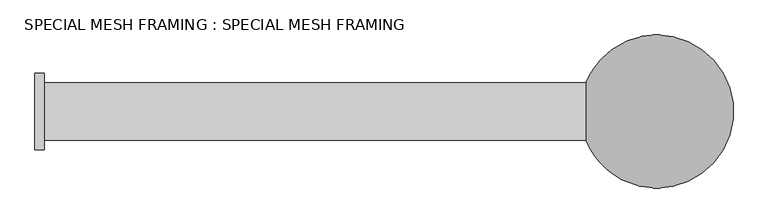
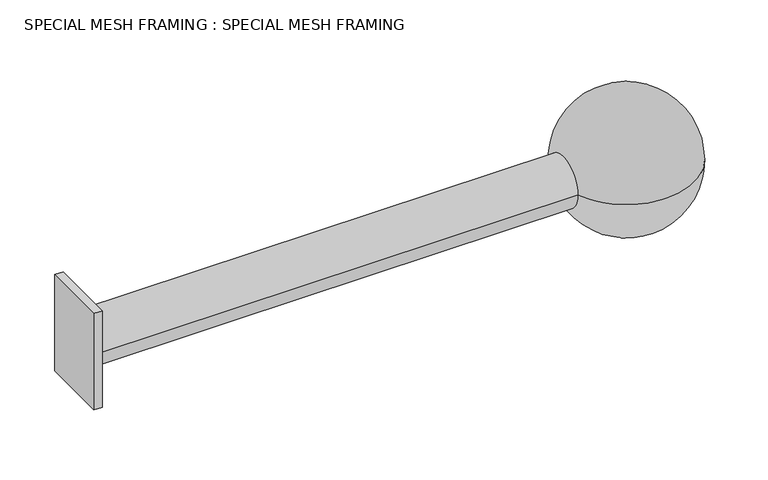
"""IFC4 building model written with IfcOpenShell, lengths in millimetres: beam geometry, SPECIAL MESH FRAMING : SPECIAL MESH FRAMING."""

from ifc_helpers import new_model, si_unit, point, frame, origin, place, context, project, spatial, circle_curve, ellipse_curve, trimmed, source, transform, mapped, element, save
from ifc_brep_helpers import plane_surface, cylinder_surface, revolved_surface, advanced_brep


def special_mesh_framing_special_mesh_framing_16b6479b(model_context):
    return source(origin(), model_context, "Body", "AdvancedBrep", [
        advanced_brep(
        [(-825.5, -101.6, 152.4), (-825.5, 101.6, 152.4), (-825.5, 101.6, -152.4), (-825.5, -101.6, -152.4), (-800.1, -76.2, 0.0), (-800.1, 76.2, 0.0), (637.1285584, 76.2, 0.0), (637.1285584, -76.2, 0.0), (-800.1, 101.6, 152.4), (-800.1, -101.6, 152.4), (-800.1, 101.6, -152.4), (-800.1, -101.6, -152.4), (825.5, 203.2, 0.0), (825.5, -203.2, 0.0)],
        [
            (0, 1),
            (1, 2),
            (2, 3),
            (3, 0),
            (4, 5, circle_curve(frame((-800.1, 0.0, 0.0), z_axis=(1.0, 0.0, 0.0), x_axis=(0.0, 1.0, 0.0)), 76.2)),
            (5, 6),
            (6, 7, circle_curve(frame((637.1285584, 0.0, 0.0), z_axis=(-1.0, 0.0, 0.0), x_axis=(0.0, 1.0, 0.0)), 76.2)),
            (7, 4),
            (5, 4, circle_curve(frame((-800.1, 0.0, 0.0), z_axis=(1.0, 0.0, 0.0), x_axis=(0.0, 1.0, 0.0)), 76.2)),
            (7, 6, circle_curve(frame((637.1285584, 0.0, 0.0), z_axis=(-1.0, 0.0, 0.0), x_axis=(0.0, 1.0, 0.0)), 76.2)),
            (8, 1),
            (0, 9),
            (9, 8),
            (10, 11),
            (11, 3),
            (2, 10),
            (8, 10),
            (11, 9),
            (12, 13, circle_curve(frame((825.5, 0.0, 0.0), z_axis=(0.0, 0.0, -1.0), x_axis=(1.0, 0.0, 0.0)), 203.2)),
            (13, 7, circle_curve(frame((825.5, 0.0, 0.0), z_axis=(0.0, 0.0, -1.0), x_axis=(-1.0, 0.0, 0.0)), 203.2)),
            (6, 12, circle_curve(frame((825.5, 0.0, 0.0), z_axis=(0.0, 0.0, -1.0), x_axis=(-1.0, 0.0, 0.0)), 203.2)),
        ],
        [
            plane_surface(frame((-825.5, 76.2, 0.0), z_axis=(-1.0, 0.0, 0.0), x_axis=(0.0, 0.0, -1.0))),
            cylinder_surface(frame((-825.5, 0.0, 0.0), z_axis=(1.0, 0.0, 0.0), x_axis=(0.0, 1.0, 0.0)), 76.2),
            plane_surface(frame((-825.5, 101.6, 152.4), z_axis=(0.0, 0.0, 1.0), x_axis=(-1.0, 0.0, 0.0))),
            plane_surface(frame((-825.5, 101.6, -152.4), z_axis=(0.0, 0.0, -1.0), x_axis=(1.0, 0.0, 0.0))),
            plane_surface(frame((-800.1, 101.6, 152.4), z_axis=(0.0, 1.0, 0.0), x_axis=(0.0, 0.0, -1.0))),
            plane_surface(frame((-825.5, -101.6, 152.4), z_axis=(0.0, -1.0, 0.0), x_axis=(0.0, 0.0, -1.0))),
            plane_surface(frame((-800.1, -101.6, 152.4), z_axis=(1.0, 0.0, 0.0), x_axis=(0.0, 0.0, -1.0))),
            revolved_surface(trimmed(ellipse_curve(frame((825.5, 0.0, 0.0), z_axis=(0.0, 0.0, 1.0), x_axis=(1.0, 0.0, 0.0)), 203.2, 203.2), [point((825.5, -203.2, 0.0))], [point((825.5, 203.2, 0.0))], True, "CARTESIAN"), (825.5, 209.55, 0.0), (0.0, 1.0, 0.0)),
        ],
        [
            (0, [[1, 2, 3, 4]]),
            (1, [[5, 6, 7, 8]]),
            (1, [[9, -8, 10, -6]]),
            (2, [[11, -1, 12, 13]]),
            (3, [[14, 15, -3, 16]]),
            (4, [[-11, 17, -16, -2]]),
            (5, [[-12, -4, -15, 18]]),
            (6, [[-13, -18, -14, -17], [-5, -9]]),
            (7, [[19, 20, -7, 21]]),
            (7, [[-19, -21, -10, -20]]),
        ],
    ),
    ])


if __name__ == "__main__":
    model = new_model("IFC4")
    model_context = context("Model", 3, world=origin())
    ifc_project = project(units=[si_unit("LENGTHUNIT", "METRE", prefix="MILLI")], contexts=[model_context])
    site = spatial("IfcSite", under=ifc_project)
    building = spatial("IfcBuilding", under=site)
    placement = place(None, origin())
    special_mesh_framing_special_mesh_framing_shape = special_mesh_framing_special_mesh_framing_16b6479b(model_context)
    element("IfcBeam", 1, ObjectType="SPECIAL MESH FRAMING : SPECIAL MESH FRAMING", at=placement, inside=building, context=model_context, shape_type="MappedRepresentation", body=[
        mapped(special_mesh_framing_special_mesh_framing_shape, transform((0.0, 0.0, 0.0), x_axis=(1.0, 0.0, 0.0), y_axis=(0.0, 1.0, 0.0), z_axis=(0.0, 0.0, 1.0))),
    ])
    save(model, "model.ifc")
